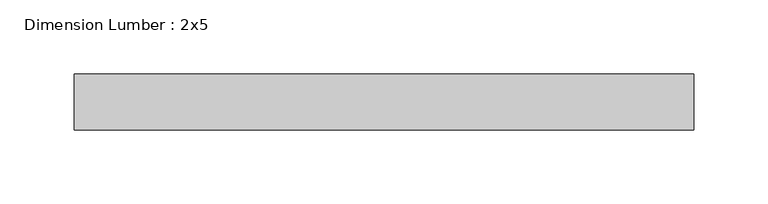
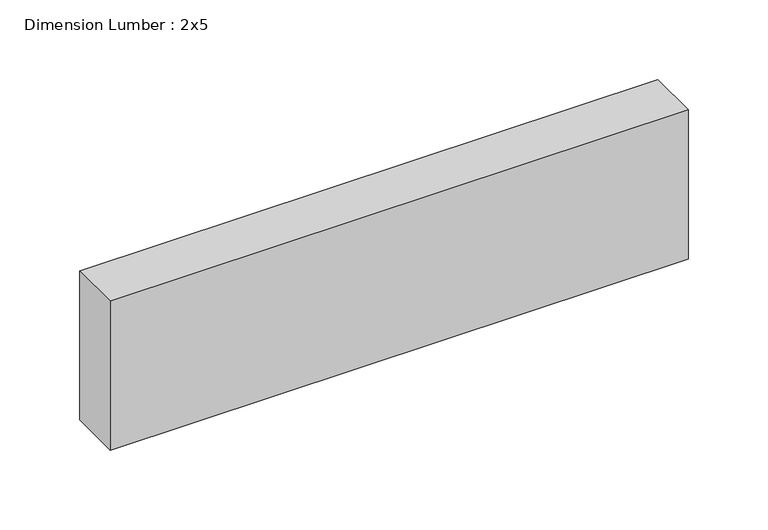
"""IFC4 building model written with IfcOpenShell, lengths in millimetres: beam geometry, Dimension Lumber : 2x5."""

from ifc_helpers import new_model, si_unit, frame, origin, place, context, project, spatial, polyline, outline, extrude, source, transform, mapped, element, save


def dimension_lumber_2x5_ee918a12(model_context):
    return source(origin(), model_context, "Body", "SweptSolid", [
        extrude(outline(polyline([(209.4026681, 19.05), (209.4026681, -19.05), (-209.4026681, -19.05), (-209.4026681, 19.05), (209.4026681, 19.05)])), frame((0.0, 0.0, -57.15), z_axis=(0.0, 0.0, 1.0), x_axis=(1.0, 0.0, 0.0)), (0.0, 0.0, 1.0), 114.3),
    ])


if __name__ == "__main__":
    model = new_model("IFC4")
    model_context = context("Model", 3, world=origin())
    ifc_project = project(units=[si_unit("LENGTHUNIT", "METRE", prefix="MILLI")], contexts=[model_context])
    site = spatial("IfcSite", under=ifc_project)
    building = spatial("IfcBuilding", under=site)
    placement = place(None, origin())
    dimension_lumber_2x5_shape = dimension_lumber_2x5_ee918a12(model_context)
    element("IfcBeam", 1, ObjectType="Dimension Lumber : 2x5", at=placement, inside=building, context=model_context, shape_type="MappedRepresentation", body=[
        mapped(dimension_lumber_2x5_shape, transform((0.0, 0.0, 0.0), x_axis=(1.0, 0.0, 0.0), y_axis=(0.0, 1.0, 0.0), z_axis=(0.0, 0.0, 1.0))),
    ])
    save(model, "model.ifc")
